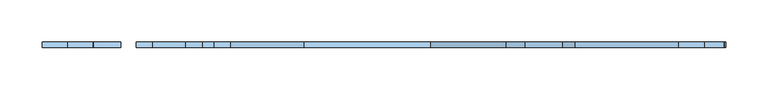
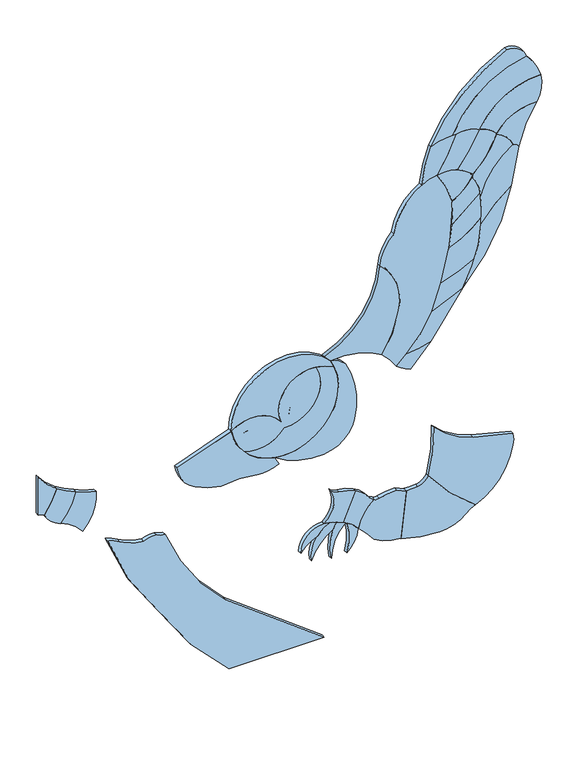
"""IFC4 building model written with IfcOpenShell, lengths in millimetres: window geometry."""

import ifcopenshell
import ifcopenshell.guid

model = None  # the IFC model being written
_history = None  # IfcOwnerHistory: only IFC2X3 demands one
_inside = {}  # id of a spatial element -> (the spatial element, [elements in it])
_under = {}  # id of a project, library or spatial element -> (it, [spatial elements below it])
_declared = {}  # id of a project -> (the project, [libraries it declares])
_typed = {}  # id of a type object -> (the type object, [elements of that type])
_made_of = {}  # id of a material, layer set ... -> (it, [elements and type objects made of it])


def new_model(schema):
    """Start an empty IFC model of exactly this schema.

    Asked for "IFC4X3", IfcOpenShell would pick the latest addendum, in which some entities
    have other attributes; the version numbers below select the first issue.
    IFC2X3 requires an IfcOwnerHistory on every rooted entity: one is made here for all.
    """
    global model, _history
    if schema == "IFC4X3":
        model = ifcopenshell.file(schema_version=(4, 3, 0, 0))
    else:
        model = ifcopenshell.file(schema=schema)
    _inside.clear()
    _under.clear()
    _declared.clear()
    _typed.clear()
    _made_of.clear()
    _history = None
    if model.schema == "IFC2X3":
        org = make("IfcOrganization", Name="unknown")
        user = make(
            "IfcPersonAndOrganization",
            ThePerson=make("IfcPerson", FamilyName="unknown"),
            TheOrganization=org,
        )
        app = make(
            "IfcApplication",
            ApplicationDeveloper=org,
            Version="unknown",
            ApplicationFullName="unknown",
            ApplicationIdentifier="unknown",
        )
        _history = make(
            "IfcOwnerHistory",
            OwningUser=user,
            OwningApplication=app,
            ChangeAction="ADDED",
            CreationDate=0,
        )
    return model


def make(cls, **values):
    """One entity of the class cls with the attributes given. An attribute that is None is left unset."""
    return model.create_entity(
        cls, **{name: value for name, value in values.items() if value is not None}
    )


def rooted(cls, **values):
    """An entity with a GlobalId (a new one), such as an element, a storey or a relation."""
    return make(cls, GlobalId=ifcopenshell.guid.new(), OwnerHistory=_history, **values)


def si_unit(unit_type, name, prefix=None):
    """IfcSIUnit, for example si_unit("LENGTHUNIT", "METRE", prefix="MILLI")."""
    return make("IfcSIUnit", UnitType=unit_type, Prefix=prefix, Name=name)


def assignment(units):
    """IfcUnitAssignment: the units of a project."""
    return None if units is None else make("IfcUnitAssignment", Units=units)


def point(xyz):
    """IfcCartesianPoint."""
    return None if xyz is None else make("IfcCartesianPoint", Coordinates=xyz)


def direction(xyz):
    """IfcDirection."""
    return None if xyz is None else make("IfcDirection", DirectionRatios=xyz)


def frame(location, z_axis=None, x_axis=None):
    """IfcAxis2Placement3D, a coordinate frame: its origin and axes. An axis left out is left unset."""
    return make(
        "IfcAxis2Placement3D",
        Location=point(location),
        Axis=direction(z_axis),
        RefDirection=direction(x_axis),
    )


def frame_2d(location, x_axis=None):
    """IfcAxis2Placement2D, a coordinate frame in the plane: its origin and x axis."""
    return make(
        "IfcAxis2Placement2D", Location=point(location), RefDirection=direction(x_axis)
    )


def origin():
    """The frame at (0, 0, 0) with its axes left unset."""
    return frame((0.0, 0.0, 0.0))


def place(relative_to, where):
    """IfcLocalPlacement: puts the frame where relative to a parent placement (None: the world)."""
    return make(
        "IfcLocalPlacement", PlacementRelTo=relative_to, RelativePlacement=where
    )


def context(
    kind, dimensions, precision=None, world=None, true_north=None, identifier=None
):
    """IfcGeometricRepresentationContext, for example the 3D "Model" context."""
    return make(
        "IfcGeometricRepresentationContext",
        ContextIdentifier=identifier,
        ContextType=kind,
        CoordinateSpaceDimension=dimensions,
        Precision=precision,
        WorldCoordinateSystem=world,
        TrueNorth=true_north,
    )


def project(units=None, contexts=None):
    """IfcProject with its units and contexts."""
    return rooted(
        "IfcProject",
        Name="project",
        RepresentationContexts=contexts,
        UnitsInContext=assignment(units),
    )


def spatial(cls, under=None, at=None, **own):
    """A site, building, storey or space (cls), placed at a placement, below another one or the project."""
    s = rooted(cls, ObjectPlacement=at, **own)
    if under is not None:
        _under.setdefault(under.id(), (under, []))[1].append(s)
    return s


def polyline(points):
    """IfcPolyline through the points."""
    return make("IfcPolyline", Points=[point(p) for p in points])


def circle_curve(where, radius):
    """IfcCircle in the frame where."""
    return make("IfcCircle", Position=where, Radius=radius)


def trimmed(basis, trim1, trim2, sense, master):
    """IfcTrimmedCurve: the piece of a basis curve between two trims."""
    return make(
        "IfcTrimmedCurve",
        BasisCurve=basis,
        Trim1=trim1,
        Trim2=trim2,
        SenseAgreement=sense,
        MasterRepresentation=master,
    )


def segment(curve, same_sense, transition):
    """IfcCompositeCurveSegment."""
    return make(
        "IfcCompositeCurveSegment",
        Transition=transition,
        SameSense=same_sense,
        ParentCurve=curve,
    )


def composite_curve(segments, self_intersect=None):
    """IfcCompositeCurve: segments joined end to end."""
    return make("IfcCompositeCurve", Segments=segments, SelfIntersect=self_intersect)


def outline(outer, holes=None, kind="AREA"):
    """IfcArbitraryClosedProfileDef: a profile drawn as a closed curve; with holes, ...WithVoids."""
    if holes is None:
        return make("IfcArbitraryClosedProfileDef", ProfileType=kind, OuterCurve=outer)
    return make(
        "IfcArbitraryProfileDefWithVoids",
        ProfileType=kind,
        OuterCurve=outer,
        InnerCurves=holes,
    )


def extrude(swept, where, along, depth):
    """IfcExtrudedAreaSolid: the profile swept, set in the frame where, extruded along a direction by depth."""
    return make(
        "IfcExtrudedAreaSolid",
        SweptArea=swept,
        Position=where,
        ExtrudedDirection=direction(along),
        Depth=depth,
    )


def shape(context_of_items, identifier, shape_type, items):
    """IfcShapeRepresentation: the items that make up one representation, for example the "Body"."""
    return make(
        "IfcShapeRepresentation",
        ContextOfItems=context_of_items,
        RepresentationIdentifier=identifier,
        RepresentationType=shape_type,
        Items=items,
    )


def source(mapping_origin, context_of_items, identifier, shape_type, items):
    """IfcRepresentationMap: a shape defined once, which mapped items show again and again."""
    return make(
        "IfcRepresentationMap",
        MappingOrigin=mapping_origin,
        MappedRepresentation=shape(context_of_items, identifier, shape_type, items),
    )


def transform(
    local_origin,
    x_axis=None,
    y_axis=None,
    z_axis=None,
    scale=None,
    scale2=None,
    scale3=None,
    uniform=True,
):
    """IfcCartesianTransformationOperator3D, or its non-uniform kind. x_axis, y_axis, z_axis: its Axis1, 2, 3."""
    if uniform:
        return make(
            "IfcCartesianTransformationOperator3D",
            Axis1=direction(x_axis),
            Axis2=direction(y_axis),
            LocalOrigin=point(local_origin),
            Scale=scale,
            Axis3=direction(z_axis),
        )
    return make(
        "IfcCartesianTransformationOperator3DnonUniform",
        Axis1=direction(x_axis),
        Axis2=direction(y_axis),
        LocalOrigin=point(local_origin),
        Scale=scale,
        Axis3=direction(z_axis),
        Scale2=scale2,
        Scale3=scale3,
    )


def mapped(mapping_source, mapping_target):
    """IfcMappedItem: shows the shape of a source again, moved by a transform."""
    return make(
        "IfcMappedItem", MappingSource=mapping_source, MappingTarget=mapping_target
    )


def made_of(thing, what):
    """Note that an element or type object is made of a material, layer set ...; save() writes the relation."""
    if what is not None:
        _made_of.setdefault(what.id(), (what, []))[1].append(thing)
    return thing


def element(
    cls,
    number,
    at=None,
    inside=None,
    cuts=None,
    type_object=None,
    material=None,
    context=None,
    identifier="Body",
    shape_type=None,
    held_by="IfcProductDefinitionShape",
    body=None,
    shapes=None,
    **own,
):
    """One element of the class cls, such as IfcWall. Its Tag is "e" and its number.

    at: its placement. inside: the storey or other place that contains it. cuts: it is an
    opening in that element (IfcRelVoidsElement). A single representation is given by context,
    identifier, shape_type and body (its items); several are given by shapes. held_by: the class
    of the entity that holds the representations. save() writes the other relations.
    """
    e = rooted(cls, Tag="e%d" % number, ObjectPlacement=at, **own)
    if body is not None:
        shapes = [shape(context, identifier, shape_type, body)]
    if shapes is not None:
        e.Representation = make(held_by, Representations=shapes)
    if inside is not None:
        _inside.setdefault(inside.id(), (inside, []))[1].append(e)
    if cuts is not None:
        rooted(
            "IfcRelVoidsElement", RelatingBuildingElement=cuts, RelatedOpeningElement=e
        )
    if type_object is not None:
        _typed.setdefault(type_object.id(), (type_object, []))[1].append(e)
    return made_of(e, material)


def aggregate(whole, parts):
    """IfcRelAggregates: a whole, such as a stair, and the parts it consists of."""
    return rooted("IfcRelAggregates", RelatingObject=whole, RelatedObjects=parts)


def save(model, path):
    """Write the relations noted so far, then the file.

    IfcRelAggregates (storeys below a building ...), IfcRelContainedInSpatialStructure (elements
    in a storey), IfcRelDefinesByType, IfcRelAssociatesMaterial and IfcRelDeclares: one each for
    every whole, place, type object, material and project.
    """
    for whole, parts in _under.values():
        aggregate(whole, parts)
    for where, things in _inside.values():
        rooted(
            "IfcRelContainedInSpatialStructure",
            RelatedElements=things,
            RelatingStructure=where,
        )
    for kind, things in _typed.values():
        rooted("IfcRelDefinesByType", RelatedObjects=things, RelatingType=kind)
    for what, things in _made_of.values():
        rooted("IfcRelAssociatesMaterial", RelatedObjects=things, RelatingMaterial=what)
    for by, libraries in _declared.values():
        rooted("IfcRelDeclares", RelatingContext=by, RelatedDefinitions=libraries)
    model.write(path)


def window_683c4f7e(model_context):
    return source(origin(), model_context, "Body", "SweptSolid", [
        extrude(outline(composite_curve([segment(trimmed(circle_curve(frame_2d((1306.5243609, 92.7564958)), 370.6374819), [point((1032.8672873, -157.2114002))], [point((1177.2719077, -254.6135465))], True, "CARTESIAN"), True, "CONTINUOUS"), segment(trimmed(circle_curve(frame_2d((1224.4284006, -248.2048976)), 47.5899738), [point((1177.2719077, -254.6135465))], [point((1181.2343983, -268.1819788))], True, "CARTESIAN"), True, "CONTINUOUS"), segment(trimmed(circle_curve(frame_2d((1142.0381253, -272.0826135)), 39.3898816), [point((1181.2343983, -268.1819788))], [point((1177.8895176, -288.3994893))], False, "CARTESIAN"), True, "CONTINUOUS"), segment(trimmed(circle_curve(frame_2d((1271.3971823, -279.28841)), 93.9504929), [point((1177.8895176, -288.3994893))], [point((1190.4427096, -326.9651178))], True, "CARTESIAN"), True, "CONTINUOUS"), segment(trimmed(circle_curve(frame_2d((1111.4381271, -373.4934721)), 91.6875772), [point((1190.4427096, -326.9651178))], [point((1199.0266988, -346.3852831))], False, "CARTESIAN"), True, "CONTINUOUS"), segment(trimmed(circle_curve(frame_2d((1344.988536, 93.7588279)), 463.7151025), [point((1199.0266988, -346.3852831))], [point((1049.07315, -263.2646737))], False, "CARTESIAN"), True, "CONTINUOUS"), segment(trimmed(circle_curve(frame_2d((1299.4880514, 175.91544)), 505.5559268), [point((1049.07315, -263.2646737))], [point((914.4, -151.6421698))], False, "CARTESIAN"), True, "CONTINUOUS"), segment(polyline([(914.4, -151.6421698), (914.4, 0.0)]), True, "CONTINUOUS"), segment(trimmed(circle_curve(frame_2d((1803.7008455, 546.8948017)), 1044.0066657), [point((914.4, 0.0))], [point((1032.8672873, -157.2114002))], True, "CARTESIAN"), True, "CONTINUOUS")], self_intersect=False)), frame((0.0, -3.175, 0.0), z_axis=(0.0, 1.0, 0.0), x_axis=(0.0, 0.0, 1.0)), (0.0, 0.0, 1.0), 6.35),
        extrude(outline(composite_curve([segment(trimmed(circle_curve(frame_2d((1587.0229883, 505.3102134)), 199.789841), [point((1635.7083448, 311.5430422))], [point((1700.1515107, 340.635024))], True, "CARTESIAN"), True, "CONTINUOUS"), segment(trimmed(circle_curve(frame_2d((1628.9192256, 335.1902723)), 71.4400712), [point((1700.1515107, 340.635024))], [point((1668.2546459, 275.5546414))], False, "CARTESIAN"), True, "CONTINUOUS"), segment(trimmed(circle_curve(frame_2d((1622.9750483, 257.4004739)), 48.7833554), [point((1668.2546459, 275.5546414))], [point((1641.1292158, 302.6800716))], True, "CARTESIAN"), True, "CONTINUOUS"), segment(trimmed(circle_curve(frame_2d((1631.1734272, 302.6800716)), 9.9557886), [point((1641.1292158, 302.6800716))], [point((1635.7083448, 311.5430422))], True, "CARTESIAN"), True, "CONTINUOUS")], self_intersect=False)), frame((0.0, -3.175, 0.0), z_axis=(0.0, 1.0, 0.0), x_axis=(0.0, 0.0, 1.0)), (0.0, 0.0, 1.0), 6.35),
        extrude(outline(composite_curve([segment(trimmed(circle_curve(frame_2d((1729.7782362, 289.5231341)), 59.0776452), [point((1700.1515107, 340.635024))], [point((1744.1689263, 346.8212684))], False, "CARTESIAN"), True, "CONTINUOUS"), segment(trimmed(circle_curve(frame_2d((1636.4540007, 344.8698266)), 107.7326011), [point((1744.1689263, 346.8212684))], [point((1686.6336514, 249.537167))], False, "CARTESIAN"), True, "CONTINUOUS"), segment(trimmed(circle_curve(frame_2d((1633.172715, 234.1439551)), 55.6329282), [point((1686.6336514, 249.537167))], [point((1669.4250744, 276.3433525))], True, "CARTESIAN"), True, "CONTINUOUS"), segment(trimmed(circle_curve(frame_2d((1628.9192256, 335.1902723)), 71.4400712), [point((1669.4250744, 276.3433525))], [point((1700.1515107, 340.635024))], True, "CARTESIAN"), True, "CONTINUOUS")], self_intersect=False)), frame((0.0, -3.175, 0.0), z_axis=(0.0, 1.0, 0.0), x_axis=(0.0, 0.0, 1.0)), (0.0, 0.0, 1.0), 6.35),
        extrude(outline(composite_curve([segment(trimmed(circle_curve(frame_2d((1722.3654753, 265.7388647)), 83.9627695), [point((1744.1689263, 346.8212684))], [point((1782.9789088, 323.8401412))], False, "CARTESIAN"), True, "CONTINUOUS"), segment(trimmed(circle_curve(frame_2d((1631.6718854, 347.1381033)), 153.0902034), [point((1782.9789088, 323.8401412))], [point((1690.8822803, 205.9618322))], False, "CARTESIAN"), True, "CONTINUOUS"), segment(trimmed(circle_curve(frame_2d((1737.8102941, 208.5941562)), 47.001783), [point((1690.8822803, 205.9618322))], [point((1690.8822803, 211.2264802))], False, "CARTESIAN"), True, "CONTINUOUS"), segment(trimmed(circle_curve(frame_2d((1646.3511974, 223.8433111)), 46.2839257), [point((1690.8822803, 211.2264802))], [point((1685.3000744, 248.8470459))], True, "CARTESIAN"), True, "CONTINUOUS"), segment(trimmed(circle_curve(frame_2d((1636.4540007, 344.8698266)), 107.7326011), [point((1685.3000744, 248.8470459))], [point((1744.1689263, 346.8212684))], True, "CARTESIAN"), True, "CONTINUOUS")], self_intersect=False)), frame((0.0, -3.175, 0.0), z_axis=(0.0, 1.0, 0.0), x_axis=(0.0, 0.0, 1.0)), (0.0, 0.0, 1.0), 6.35),
        extrude(outline(composite_curve([segment(trimmed(circle_curve(frame_2d((1581.9966838, 394.232478)), 244.9053426), [point((1804.8321711, 292.6304484))], [point((1683.5987134, 171.3969907))], False, "CARTESIAN"), True, "CONTINUOUS"), segment(trimmed(circle_curve(frame_2d((1613.0044019, 204.3225778)), 77.8951289), [point((1683.5987134, 171.3969907))], [point((1690.8822803, 205.9618322))], True, "CARTESIAN"), True, "CONTINUOUS"), segment(trimmed(circle_curve(frame_2d((1631.6718854, 347.1381033)), 153.0902034), [point((1690.8822803, 205.9618322))], [point((1782.9789088, 323.8401412))], True, "CARTESIAN"), True, "CONTINUOUS"), segment(trimmed(circle_curve(frame_2d((1775.7558689, 295.5267583)), 29.2201978), [point((1782.9789088, 323.8401412))], [point((1804.8321711, 292.6304484))], False, "CARTESIAN"), True, "CONTINUOUS")], self_intersect=False)), frame((0.0, -3.175, 0.0), z_axis=(0.0, 1.0, 0.0), x_axis=(0.0, 0.0, 1.0)), (0.0, 0.0, 1.0), 6.35),
        extrude(outline(composite_curve([segment(trimmed(circle_curve(frame_2d((1607.2908843, 349.9423418)), 194.168296), [point((1683.5987134, 171.3969907))], [point((1623.7370352, 156.471798))], False, "CARTESIAN"), True, "CONTINUOUS"), segment(trimmed(circle_curve(frame_2d((1593.013241, 180.4558103)), 38.9767158), [point((1623.7370352, 156.471798))], [point((1631.989637, 180.6136962))], True, "CARTESIAN"), True, "CONTINUOUS"), segment(trimmed(circle_curve(frame_2d((1800.8293227, -72.2438158)), 304.0456558), [point((1631.989637, 180.6136962))], [point((1690.6025695, 211.1178325))], False, "CARTESIAN"), True, "CONTINUOUS"), segment(trimmed(circle_curve(frame_2d((1613.0044019, 204.3225778)), 77.8951289), [point((1690.6025695, 211.1178325))], [point((1683.5987134, 171.3969907))], False, "CARTESIAN"), True, "CONTINUOUS")], self_intersect=False)), frame((0.0, -3.175, 0.0), z_axis=(0.0, 1.0, 0.0), x_axis=(0.0, 0.0, 1.0)), (0.0, 0.0, 1.0), 6.35),
        extrude(outline(composite_curve([segment(trimmed(circle_curve(frame_2d((1800.8293227, -72.2438158)), 304.0456558), [point((1690.6025695, 211.1178325))], [point((1631.989637, 180.6136962))], True, "CARTESIAN"), True, "CONTINUOUS"), segment(trimmed(circle_curve(frame_2d((1580.5855946, 194.5939847)), 53.2712309), [point((1631.989637, 180.6136962))], [point((1630.4836851, 213.2488664))], True, "CARTESIAN"), True, "CONTINUOUS"), segment(trimmed(circle_curve(frame_2d((1792.9378689, 23.095369)), 250.0994091), [point((1630.4836851, 213.2488664))], [point((1685.3000744, 248.8470459))], False, "CARTESIAN"), True, "CONTINUOUS"), segment(trimmed(circle_curve(frame_2d((1647.708461, 224.3266739)), 44.881823), [point((1685.3000744, 248.8470459))], [point((1690.6025695, 211.1178325))], False, "CARTESIAN"), True, "CONTINUOUS")], self_intersect=False)), frame((0.0, -3.175, 0.0), z_axis=(0.0, 1.0, 0.0), x_axis=(0.0, 0.0, 1.0)), (0.0, 0.0, 1.0), 6.35),
        extrude(outline(composite_curve([segment(trimmed(circle_curve(frame_2d((1792.9378689, 23.095369)), 250.0994091), [point((1685.3000744, 248.8470459))], [point((1630.4836851, 213.2488664))], True, "CARTESIAN"), True, "CONTINUOUS"), segment(trimmed(circle_curve(frame_2d((1517.090091, 157.4413554)), 126.3826945), [point((1630.4836851, 213.2488664))], [point((1614.194119, 238.3325985))], True, "CARTESIAN"), True, "CONTINUOUS"), segment(trimmed(circle_curve(frame_2d((1711.7180757, 155.7585096)), 127.7865497), [point((1614.194119, 238.3325985))], [point((1669.4250744, 276.3433525))], False, "CARTESIAN"), True, "CONTINUOUS"), segment(trimmed(circle_curve(frame_2d((1645.0239895, 243.9245085)), 40.5757857), [point((1669.4250744, 276.3433525))], [point((1685.3000744, 248.8470459))], False, "CARTESIAN"), True, "CONTINUOUS")], self_intersect=False)), frame((0.0, -3.175, 0.0), z_axis=(0.0, 1.0, 0.0), x_axis=(0.0, 0.0, 1.0)), (0.0, 0.0, 1.0), 6.35),
        extrude(outline(composite_curve([segment(trimmed(circle_curve(frame_2d((1740.7275228, 104.3850226)), 186.15506), [point((1669.4250744, 276.3433525))], [point((1609.9171142, 236.8325343))], True, "CARTESIAN"), True, "CONTINUOUS"), segment(trimmed(circle_curve(frame_2d((1570.7653737, 186.28865)), 63.9338958), [point((1609.9171142, 236.8325343))], [point((1572.7471803, 250.1918226))], True, "CARTESIAN"), True, "CONTINUOUS"), segment(trimmed(circle_curve(frame_2d((1537.2063691, 370.7806942)), 125.7172431), [point((1572.7471803, 250.1918226))], [point((1643.3274571, 303.3778761))], True, "CARTESIAN"), True, "CONTINUOUS"), segment(trimmed(circle_curve(frame_2d((1599.3168061, 234.7786027)), 81.50336), [point((1643.3274571, 303.3778761))], [point((1669.4250744, 276.3433525))], False, "CARTESIAN"), True, "CONTINUOUS")], self_intersect=False)), frame((0.0, -3.175, 0.0), z_axis=(0.0, 1.0, 0.0), x_axis=(0.0, 0.0, 1.0)), (0.0, 0.0, 1.0), 6.35),
        extrude(outline(composite_curve([segment(trimmed(circle_curve(frame_2d((1631.1734272, 302.6800716)), 9.9557886), [point((1635.7083448, 311.5430422))], [point((1639.0941054, 296.6484397))], False, "CARTESIAN"), True, "CONTINUOUS"), segment(trimmed(circle_curve(frame_2d((1533.1830456, 377.3001857)), 133.1234641), [point((1639.0941054, 296.6484397))], [point((1572.7471803, 250.1918226))], False, "CARTESIAN"), True, "CONTINUOUS"), segment(trimmed(circle_curve(frame_2d((1544.215608, 29.0842795)), 222.9407909), [point((1572.7471803, 250.1918226))], [point((1525.1126969, 251.2051363))], True, "CARTESIAN"), True, "CONTINUOUS"), segment(trimmed(circle_curve(frame_2d((1423.8655242, 400.708001)), 180.5605065), [point((1525.1126969, 251.2051363))], [point((1573.3683889, 299.4608283))], True, "CARTESIAN"), True, "CONTINUOUS"), segment(trimmed(circle_curve(frame_2d((1416.2782704, 1276.8575326)), 989.9402118), [point((1573.3683889, 299.4608283))], [point((1635.7083448, 311.5430422))], True, "CARTESIAN"), True, "CONTINUOUS")], self_intersect=False)), frame((0.0, -3.175, 0.0), z_axis=(0.0, 1.0, 0.0), x_axis=(0.0, 0.0, 1.0)), (0.0, 0.0, 1.0), 6.35),
        extrude(outline(composite_curve([segment(trimmed(circle_curve(frame_2d((1423.8655242, 400.708001)), 180.5605065), [point((1573.3683889, 299.4608283))], [point((1525.1126969, 251.2051363))], False, "CARTESIAN"), True, "CONTINUOUS"), segment(trimmed(circle_curve(frame_2d((1536.4434184, 36.2663236)), 215.2372609), [point((1525.1126969, 251.2051363))], [point((1427.5937413, 221.9510733))], True, "CARTESIAN"), True, "CONTINUOUS"), segment(trimmed(circle_curve(frame_2d((1626.9945769, 22.7686409)), 281.8409739), [point((1427.5937413, 221.9510733))], [point((1573.3683889, 299.4608283))], False, "CARTESIAN"), True, "CONTINUOUS")], self_intersect=False)), frame((0.0, -3.175, 0.0), z_axis=(0.0, 1.0, 0.0), x_axis=(0.0, 0.0, 1.0)), (0.0, 0.0, 1.0), 6.35),
        extrude(outline(composite_curve([segment(trimmed(circle_curve(frame_2d((1549.3071378, 70.9022333)), 137.3790405), [point((1631.989637, 180.6136962))], [point((1580.4201087, 204.7117389))], True, "CARTESIAN"), True, "CONTINUOUS"), segment(trimmed(circle_curve(frame_2d((1640.465724, 177.005881)), 66.1293466), [point((1580.4201087, 204.7117389))], [point((1612.7598662, 237.0514963))], False, "CARTESIAN"), True, "CONTINUOUS"), segment(trimmed(circle_curve(frame_2d((1580.5855946, 194.5939847)), 53.2712309), [point((1612.7598662, 237.0514963))], [point((1631.989637, 180.6136962))], False, "CARTESIAN"), True, "CONTINUOUS")], self_intersect=False)), frame((0.0, -3.175, 0.0), z_axis=(0.0, 1.0, 0.0), x_axis=(0.0, 0.0, 1.0)), (0.0, 0.0, 1.0), 6.35),
        extrude(outline(composite_curve([segment(trimmed(circle_curve(frame_2d((1669.2335291, 147.4950055)), 107.2363331), [point((1611.5842292, 237.917289))], [point((1578.3345744, 204.3897432))], True, "CARTESIAN"), True, "CONTINUOUS"), segment(trimmed(circle_curve(frame_2d((1559.4113269, 26.1821112)), 179.2095126), [point((1578.3345744, 204.3897432))], [point((1540.4880793, 204.3897432))], True, "CARTESIAN"), True, "CONTINUOUS"), segment(trimmed(circle_curve(frame_2d((1982.8098287, -134.1065852)), 556.9814129), [point((1540.4880793, 204.3897432))], [point((1578.545003, 249.0360058))], False, "CARTESIAN"), True, "CONTINUOUS"), segment(trimmed(circle_curve(frame_2d((1574.83763, 183.3722322)), 65.7683493), [point((1578.545003, 249.0360058))], [point((1611.5842292, 237.917289))], False, "CARTESIAN"), True, "CONTINUOUS")], self_intersect=False)), frame((0.0, -3.175, 0.0), z_axis=(0.0, 1.0, 0.0), x_axis=(0.0, 0.0, 1.0)), (0.0, 0.0, 1.0), 6.35),
        extrude(outline(composite_curve([segment(trimmed(circle_curve(frame_2d((1762.6810899, 39.2148638)), 276.8618333), [point((1581.7489885, 248.7764286))], [point((1540.4880793, 204.3897432))], True, "CARTESIAN"), True, "CONTINUOUS"), segment(trimmed(circle_curve(frame_2d((1567.1699737, -177.1791232)), 382.5006186), [point((1540.4880793, 204.3897432))], [point((1502.6135837, 199.8343988))], True, "CARTESIAN"), True, "CONTINUOUS"), segment(trimmed(circle_curve(frame_2d((1636.9685127, 147.6622254)), 144.1290485), [point((1502.6135837, 199.8343988))], [point((1537.4072665, 251.8771038))], False, "CARTESIAN"), True, "CONTINUOUS"), segment(trimmed(circle_curve(frame_2d((1545.3197078, 46.4218647)), 205.6075437), [point((1537.4072665, 251.8771038))], [point((1581.7489885, 248.7764286))], False, "CARTESIAN"), True, "CONTINUOUS")], self_intersect=False)), frame((0.0, -3.175, 0.0), z_axis=(0.0, 1.0, 0.0), x_axis=(0.0, 0.0, 1.0)), (0.0, 0.0, 1.0), 6.35),
        extrude(outline(composite_curve([segment(trimmed(circle_curve(frame_2d((1636.9685127, 147.6622254)), 144.1290485), [point((1537.4072665, 251.8771038))], [point((1502.6135837, 199.8343988))], True, "CARTESIAN"), True, "CONTINUOUS"), segment(trimmed(circle_curve(frame_2d((1588.6209788, -302.4543902)), 509.5991558), [point((1502.6135837, 199.8343988))], [point((1448.1564149, 187.4037585))], True, "CARTESIAN"), True, "CONTINUOUS"), segment(trimmed(circle_curve(frame_2d((1622.2820873, 144.7725961)), 179.2684182), [point((1448.1564149, 187.4037585))], [point((1471.287408, 241.404747))], False, "CARTESIAN"), True, "CONTINUOUS"), segment(trimmed(circle_curve(frame_2d((1545.8494359, -15.3930127)), 267.4034133), [point((1471.287408, 241.404747))], [point((1537.4072665, 251.8771038))], False, "CARTESIAN"), True, "CONTINUOUS")], self_intersect=False)), frame((0.0, -3.175, 0.0), z_axis=(0.0, 1.0, 0.0), x_axis=(0.0, 0.0, 1.0)), (0.0, 0.0, 1.0), 6.35),
        extrude(outline(composite_curve([segment(trimmed(circle_curve(frame_2d((1622.2820873, 144.7725961)), 179.2684182), [point((1471.287408, 241.404747))], [point((1448.1564149, 187.4037585))], True, "CARTESIAN"), True, "CONTINUOUS"), segment(trimmed(circle_curve(frame_2d((1588.6209788, -302.4543902)), 509.5991558), [point((1448.1564149, 187.4037585))], [point((1404.6671278, 172.784792))], True, "CARTESIAN"), True, "CONTINUOUS"), segment(trimmed(circle_curve(frame_2d((1695.5823065, 67.0573847)), 309.5317848), [point((1404.6671278, 172.784792))], [point((1427.5937413, 221.9510733))], False, "CARTESIAN"), True, "CONTINUOUS"), segment(trimmed(circle_curve(frame_2d((1532.6069881, 44.8830872)), 205.8661062), [point((1427.5937413, 221.9510733))], [point((1471.287408, 241.404747))], False, "CARTESIAN"), True, "CONTINUOUS")], self_intersect=False)), frame((0.0, -3.175, 0.0), z_axis=(0.0, 1.0, 0.0), x_axis=(0.0, 0.0, 1.0)), (0.0, 0.0, 1.0), 6.35),
        extrude(outline(composite_curve([segment(trimmed(circle_curve(frame_2d((1695.5823065, 67.0573847)), 309.5317848), [point((1427.5937413, 221.9510733))], [point((1404.6671278, 172.784792))], True, "CARTESIAN"), True, "CONTINUOUS"), segment(trimmed(circle_curve(frame_2d((1490.8914637, -10.1526799)), 202.2393501), [point((1404.6671278, 172.784792))], [point((1347.2367838, 132.1993053))], True, "CARTESIAN"), True, "CONTINUOUS"), segment(trimmed(circle_curve(frame_2d((1517.1555065, 119.2831266)), 170.4089199), [point((1347.2367838, 132.1993053))], [point((1354.7711246, 170.9601281))], False, "CARTESIAN"), True, "CONTINUOUS"), segment(trimmed(circle_curve(frame_2d((1724.8987654, -280.1407143)), 583.5121597), [point((1354.7711246, 170.9601281))], [point((1427.5937413, 221.9510733))], False, "CARTESIAN"), True, "CONTINUOUS")], self_intersect=False)), frame((0.0, -3.175, 0.0), z_axis=(0.0, 1.0, 0.0), x_axis=(0.0, 0.0, 1.0)), (0.0, 0.0, 1.0), 6.35),
        extrude(outline(composite_curve([segment(trimmed(circle_curve(frame_2d((1517.1555065, 119.2831266)), 170.4089199), [point((1354.7711246, 170.9601281))], [point((1347.2367838, 132.1993053))], True, "CARTESIAN"), True, "CONTINUOUS"), segment(trimmed(circle_curve(frame_2d((1521.7154943, -45.6774432)), 249.16452), [point((1347.2367838, 132.1993053))], [point((1332.1499121, 116.0255194))], True, "CARTESIAN"), True, "CONTINUOUS"), segment(trimmed(circle_curve(frame_2d((1375.9161461, 155.9586632)), 59.2464278), [point((1332.1499121, 116.0255194))], [point((1319.4499121, 138.0225646))], False, "CARTESIAN"), True, "CONTINUOUS"), segment(trimmed(circle_curve(frame_2d((1508.5787559, -29.3858263)), 252.5772929), [point((1319.4499121, 138.0225646))], [point((1354.7711246, 170.9601281))], False, "CARTESIAN"), True, "CONTINUOUS")], self_intersect=False)), frame((0.0, -3.175, 0.0), z_axis=(0.0, 1.0, 0.0), x_axis=(0.0, 0.0, 1.0)), (0.0, 0.0, 1.0), 6.35),
        extrude(outline(composite_curve([segment(polyline([(1344.5787923, -457.2), (1281.0787923, -457.2)]), True, "CONTINUOUS"), segment(trimmed(circle_curve(frame_2d((1243.4546081, -465.9476844)), 38.627726), [point((1281.0787923, -457.2))], [point((1277.6318643, -447.9472296))], True, "CARTESIAN"), True, "CONTINUOUS"), segment(trimmed(circle_curve(frame_2d((1376.293908, -589.4476397)), 172.5009128), [point((1277.6318643, -447.9472296))], [point((1315.4224835, -428.0436912))], False, "CARTESIAN"), True, "CONTINUOUS"), segment(trimmed(circle_curve(frame_2d((1409.0813346, -363.5411489)), 113.7214068), [point((1315.4224835, -428.0436912))], [point((1344.5787923, -457.2))], True, "CARTESIAN"), True, "CONTINUOUS")], self_intersect=False)), frame((0.0, -3.175, 0.0), z_axis=(0.0, 1.0, 0.0), x_axis=(0.0, 0.0, 1.0)), (0.0, 0.0, 1.0), 6.35),
        extrude(outline(composite_curve([segment(trimmed(circle_curve(frame_2d((1370.4592642, -577.0425901)), 158.8386575), [point((1315.4224835, -428.0436912))], [point((1277.709756, -448.0959041))], True, "CARTESIAN"), True, "CONTINUOUS"), segment(trimmed(circle_curve(frame_2d((1301.7129506, -402.1619666)), 51.8274055), [point((1277.709756, -448.0959041))], [point((1253.9705646, -422.3298752))], False, "CARTESIAN"), True, "CONTINUOUS"), segment(trimmed(circle_curve(frame_2d((1320.174153, -490.8039721)), 95.245037), [point((1253.9705646, -422.3298752))], [point((1299.9282282, -397.7356123))], False, "CARTESIAN"), True, "CONTINUOUS"), segment(trimmed(circle_curve(frame_2d((1429.0918269, -350.8184857)), 137.4207117), [point((1299.9282282, -397.7356123))], [point((1315.4224835, -428.0436912))], True, "CARTESIAN"), True, "CONTINUOUS")], self_intersect=False)), frame((0.0, -3.175, 0.0), z_axis=(0.0, 1.0, 0.0), x_axis=(0.0, 0.0, 1.0)), (0.0, 0.0, 1.0), 6.35),
        extrude(outline(composite_curve([segment(trimmed(circle_curve(frame_2d((1323.7415923, -495.9534749)), 101.431902), [point((1299.8021596, -397.3870794))], [point((1255.0124687, -421.3563012))], True, "CARTESIAN"), True, "CONTINUOUS"), segment(trimmed(circle_curve(frame_2d((1176.3763354, -452.9716505)), 84.7535944), [point((1255.0124687, -421.3563012))], [point((1228.8853489, -386.4436468))], True, "CARTESIAN"), True, "CONTINUOUS"), segment(trimmed(circle_curve(frame_2d((1281.9382425, -439.3744842)), 74.9418646), [point((1228.8853489, -386.4436468))], [point((1288.5558303, -364.7253677))], False, "CARTESIAN"), True, "CONTINUOUS"), segment(trimmed(circle_curve(frame_2d((1395.5300613, -346.1582528)), 108.5735872), [point((1288.5558303, -364.7253677))], [point((1299.8021596, -397.3870794))], True, "CARTESIAN"), True, "CONTINUOUS")], self_intersect=False)), frame((0.0, -3.175, 0.0), z_axis=(0.0, 1.0, 0.0), x_axis=(0.0, 0.0, 1.0)), (0.0, 0.0, 1.0), 6.35),
        extrude(outline(composite_curve([segment(trimmed(circle_curve(frame_2d((1034.5514069, 11.2908127)), 59.2762735), [point((1069.0976688, -36.8779779))], [point((1089.8648963, -10.0186801))], True, "CARTESIAN"), True, "CONTINUOUS"), segment(trimmed(circle_curve(frame_2d((1058.6856538, 31.2713397)), 51.7398386), [point((1089.8648963, -10.0186801))], [point((1104.7787679, 7.7673883))], True, "CARTESIAN"), True, "CONTINUOUS"), segment(trimmed(circle_curve(frame_2d((1080.173185, 0.0)), 25.8024617), [point((1104.7787679, 7.7673883))], [point((1105.9756467, 0.0))], False, "CARTESIAN"), True, "CONTINUOUS"), segment(trimmed(circle_curve(frame_2d((1069.0976688, 0.0)), 36.8779779), [point((1105.9756467, 0.0))], [point((1069.0976688, -36.8779779))], False, "CARTESIAN"), True, "CONTINUOUS")], self_intersect=False)), frame((0.0, -3.175, 0.0), z_axis=(0.0, 1.0, 0.0), x_axis=(0.0, 0.0, 1.0)), (0.0, 0.0, 1.0), 6.35),
        extrude(outline(composite_curve([segment(trimmed(circle_curve(frame_2d((1027.3273754, 50.0110443)), 73.4516063), [point((1050.2417748, -19.7748336))], [point((1091.7414894, 14.7128804))], True, "CARTESIAN"), True, "CONTINUOUS"), segment(trimmed(circle_curve(frame_2d((1087.6818401, 35.0283942)), 20.7171632), [point((1091.7414894, 14.7128804))], [point((1101.4691156, 19.565151))], True, "CARTESIAN"), True, "CONTINUOUS"), segment(trimmed(circle_curve(frame_2d((1062.9656482, 1.6296207)), 42.4758784), [point((1101.4691156, 19.565151))], [point((1104.946063, 8.0983934))], False, "CARTESIAN"), True, "CONTINUOUS"), segment(trimmed(circle_curve(frame_2d((1058.6856538, 31.2713397)), 51.7398386), [point((1104.946063, 8.0983934))], [point((1050.2417748, -19.7748336))], False, "CARTESIAN"), True, "CONTINUOUS")], self_intersect=False)), frame((0.0, -3.175, 0.0), z_axis=(0.0, 1.0, 0.0), x_axis=(0.0, 0.0, 1.0)), (0.0, 0.0, 1.0), 6.35),
        extrude(outline(composite_curve([segment(trimmed(circle_curve(frame_2d((1042.6205841, 86.3712095)), 74.4985981), [point((1043.4266793, 11.8769727))], [point((1095.6472928, 34.043308))], True, "CARTESIAN"), True, "CONTINUOUS"), segment(trimmed(circle_curve(frame_2d((978.8354594, -25.6059004)), 131.1603313), [point((1095.6472928, 34.043308))], [point((1102.1424903, 19.0976634))], False, "CARTESIAN"), True, "CONTINUOUS"), segment(trimmed(circle_curve(frame_2d((1062.589159, 98.3925028)), 88.6122879), [point((1102.1424903, 19.0976634))], [point((1043.4266793, 11.8769727))], False, "CARTESIAN"), True, "CONTINUOUS")], self_intersect=False)), frame((0.0, -3.175, 0.0), z_axis=(0.0, 1.0, 0.0), x_axis=(0.0, 0.0, 1.0)), (0.0, 0.0, 1.0), 6.35),
        extrude(outline(composite_curve([segment(trimmed(circle_curve(frame_2d((1085.5048333, -0.4131091)), 55.4932204), [point((1044.2177019, 36.6661344))], [point((1078.3057836, 54.6111692))], False, "CARTESIAN"), True, "CONTINUOUS"), segment(trimmed(circle_curve(frame_2d((1057.9410853, 20.3340438)), 39.8703181), [point((1078.3057836, 54.6111692))], [point((1094.3128474, 36.6661344))], False, "CARTESIAN"), True, "CONTINUOUS"), segment(trimmed(circle_curve(frame_2d((1069.2652746, -56.930312)), 96.8900184), [point((1094.3128474, 36.6661344))], [point((1044.2177019, 36.6661344))], True, "CARTESIAN"), True, "CONTINUOUS")], self_intersect=False)), frame((0.0, -3.175, 0.0), z_axis=(0.0, 1.0, 0.0), x_axis=(0.0, 0.0, 1.0)), (0.0, 0.0, 1.0), 6.35),
        extrude(outline(composite_curve([segment(trimmed(circle_curve(frame_2d((1028.7269623, -5.7063142)), 77.4591587), [point((1105.9756467, 0.0))], [point((1097.268556, 30.3765239))], True, "CARTESIAN"), True, "CONTINUOUS"), segment(trimmed(circle_curve(frame_2d((1675.5262952, -1266.9070006)), 1420.3262145), [point((1097.268556, 30.3765239))], [point((1144.0302025, 50.2256652))], False, "CARTESIAN"), True, "CONTINUOUS"), segment(trimmed(circle_curve(frame_2d((1074.7919551, 16.128326)), 77.1787759), [point((1144.0302025, 50.2256652))], [point((1151.5580299, 24.099098))], False, "CARTESIAN"), True, "CONTINUOUS"), segment(trimmed(circle_curve(frame_2d((1174.0186805, 26.4312314)), 22.581401), [point((1151.5580299, 24.099098))], [point((1157.2803336, 11.2738103))], True, "CARTESIAN"), True, "CONTINUOUS"), segment(trimmed(circle_curve(frame_2d((1138.2435684, -24.469169)), 40.4964073), [point((1157.2803336, 11.2738103))], [point((1105.9756467, 0.0))], True, "CARTESIAN"), True, "CONTINUOUS")], self_intersect=False)), frame((0.0, -3.175, 0.0), z_axis=(0.0, 1.0, 0.0), x_axis=(0.0, 0.0, 1.0)), (0.0, 0.0, 1.0), 6.35),
        extrude(outline(composite_curve([segment(trimmed(circle_curve(frame_2d((1037.9776776, 6.3529613)), 63.9729616), [point((1097.268556, 30.3765239))], [point((1079.7750621, 54.7835143))], True, "CARTESIAN"), True, "CONTINUOUS"), segment(trimmed(circle_curve(frame_2d((1061.6364877, 128.0497575)), 75.4781444), [point((1079.7750621, 54.7835143))], [point((1119.8858649, 80.0501707))], True, "CARTESIAN"), True, "CONTINUOUS"), segment(trimmed(circle_curve(frame_2d((1132.5174869, 83.3348273)), 13.0516988), [point((1119.8858649, 80.0501707))], [point((1124.9892977, 72.6730634))], True, "CARTESIAN"), True, "CONTINUOUS"), segment(trimmed(circle_curve(frame_2d((1091.0115129, 24.5521797)), 58.9076337), [point((1124.9892977, 72.6730634))], [point((1144.0302025, 50.2256652))], False, "CARTESIAN"), True, "CONTINUOUS"), segment(trimmed(circle_curve(frame_2d((1675.5262952, -1266.9070006)), 1420.3262145), [point((1144.0302025, 50.2256652))], [point((1097.268556, 30.3765239))], True, "CARTESIAN"), True, "CONTINUOUS")], self_intersect=False)), frame((0.0, -3.175, 0.0), z_axis=(0.0, 1.0, 0.0), x_axis=(0.0, 0.0, 1.0)), (0.0, 0.0, 1.0), 6.35),
        extrude(outline(composite_curve([segment(trimmed(circle_curve(frame_2d((953.3227544, -58.0125978)), 169.4495471), [point((1079.7750621, 54.7835143))], [point((1052.2830923, 79.5373951))], True, "CARTESIAN"), True, "CONTINUOUS"), segment(trimmed(circle_curve(frame_2d((1124.9346843, 125.7111518)), 86.082923), [point((1052.2830923, 79.5373951))], [point((1038.89534, 122.9723824))], False, "CARTESIAN"), True, "CONTINUOUS"), segment(trimmed(circle_curve(frame_2d((-20.4424781, 9943.0127128)), 9877.0131469), [point((1038.89534, 122.9723824))], [point((1115.3196612, 131.5177672))], True, "CARTESIAN"), True, "CONTINUOUS"), segment(trimmed(circle_curve(frame_2d((1208.418567, 165.2047834)), 99.0061681), [point((1115.3196612, 131.5177672))], [point((1121.9628707, 116.959225))], True, "CARTESIAN"), True, "CONTINUOUS"), segment(trimmed(circle_curve(frame_2d((1042.5339136, 112.5608546)), 79.5506435), [point((1121.9628707, 116.959225))], [point((1118.3844116, 88.5815543))], False, "CARTESIAN"), True, "CONTINUOUS"), segment(trimmed(circle_curve(frame_2d((1128.6142654, 85.3474986)), 10.7288874), [point((1118.3844116, 88.5815543))], [point((1119.5363233, 79.6291078))], True, "CARTESIAN"), True, "CONTINUOUS"), segment(trimmed(circle_curve(frame_2d((1061.6364877, 128.0497575)), 75.4781444), [point((1119.5363233, 79.6291078))], [point((1079.7750621, 54.7835143))], False, "CARTESIAN"), True, "CONTINUOUS")], self_intersect=False)), frame((0.0, -3.175, 0.0), z_axis=(0.0, 1.0, 0.0), x_axis=(0.0, 0.0, 1.0)), (0.0, 0.0, 1.0), 6.35),
        extrude(outline(composite_curve([segment(trimmed(circle_curve(frame_2d((1197.1672161, 140.6737385)), 81.3035088), [point((1116.3672428, 149.7083869))], [point((1116.3672428, 131.6390902))], True, "CARTESIAN"), True, "CONTINUOUS"), segment(trimmed(circle_curve(frame_2d((-20.442478, 9943.0127117)), 9877.0131458), [point((1116.3672428, 131.6390902))], [point((1037.8468334, 122.8593313))], False, "CARTESIAN"), True, "CONTINUOUS"), segment(trimmed(circle_curve(frame_2d((1252.3798769, 188.983795)), 224.4924753), [point((1037.8468334, 122.8593313))], [point((1027.9132449, 185.5775409))], False, "CARTESIAN"), True, "CONTINUOUS"), segment(trimmed(circle_curve(frame_2d((1087.5720816, 186.4828566)), 59.6657054), [point((1027.9132449, 185.5775409))], [point((1043.8427002, 227.0751908))], False, "CARTESIAN"), True, "CONTINUOUS"), segment(trimmed(circle_curve(frame_2d((997.695189, 269.9121838)), 62.9650757), [point((1043.8427002, 227.0751908))], [point((1054.0748461, 241.8776511))], True, "CARTESIAN"), True, "CONTINUOUS"), segment(trimmed(circle_curve(frame_2d((1306.9437269, 420.1023045)), 309.3649915), [point((1054.0748461, 241.8776511))], [point((1128.7190736, 167.2334237))], True, "CARTESIAN"), True, "CONTINUOUS"), segment(trimmed(circle_curve(frame_2d((1138.4843879, 147.2353585)), 22.2549764), [point((1128.7190736, 167.2334237))], [point((1116.3672428, 149.7083869))], True, "CARTESIAN"), True, "CONTINUOUS")], self_intersect=False)), frame((0.0, -3.175, 0.0), z_axis=(0.0, 1.0, 0.0), x_axis=(0.0, 0.0, 1.0)), (0.0, 0.0, 1.0), 6.35),
        extrude(outline(composite_curve([segment(trimmed(circle_curve(frame_2d((1131.5509087, 213.5525276)), 82.4915323), [point((1054.0748461, 241.8776511))], [point((1082.9677554, 280.2198367))], False, "CARTESIAN"), True, "CONTINUOUS"), segment(trimmed(circle_curve(frame_2d((1160.1375616, 174.3250363)), 131.0301024), [point((1082.9677554, 280.2198367))], [point((1133.0790678, 302.5308305))], False, "CARTESIAN"), True, "CONTINUOUS"), segment(trimmed(circle_curve(frame_2d((1143.1804408, 254.6695355)), 48.9156549), [point((1133.0790678, 302.5308305))], [point((1153.2818138, 302.5308305))], False, "CARTESIAN"), True, "CONTINUOUS"), segment(trimmed(circle_curve(frame_2d((2565.5369822, 620.6967617)), 1447.6512772), [point((1153.2818138, 302.5308305))], [point((1169.1870562, 238.726731))], True, "CARTESIAN"), True, "CONTINUOUS"), segment(trimmed(circle_curve(frame_2d((1298.1239166, 273.9972714)), 133.6739504), [point((1169.1870562, 238.726731))], [point((1207.655697, 175.5888051))], True, "CARTESIAN"), True, "CONTINUOUS"), segment(trimmed(circle_curve(frame_2d((1195.8672065, -90.0912073)), 265.9414174), [point((1207.655697, 175.5888051))], [point((1128.7190736, 167.2334237))], True, "CARTESIAN"), True, "CONTINUOUS"), segment(trimmed(circle_curve(frame_2d((1306.9437269, 420.1023045)), 309.3649915), [point((1128.7190736, 167.2334237))], [point((1054.0748461, 241.8776511))], False, "CARTESIAN"), True, "CONTINUOUS")], self_intersect=False)), frame((0.0, -3.175, 0.0), z_axis=(0.0, 1.0, 0.0), x_axis=(0.0, 0.0, 1.0)), (0.0, 0.0, 1.0), 6.35),
        extrude(outline(composite_curve([segment(trimmed(circle_curve(frame_2d((1287.9058125, -182.4005588)), 52.9158894), [point((1283.0049399, -235.0890091))], [point((1240.8898312, -206.6820096))], False, "CARTESIAN"), True, "CONTINUOUS"), segment(trimmed(circle_curve(frame_2d((1362.8998983, -143.6697877)), 137.3207798), [point((1240.8898312, -206.6820096))], [point((1227.1540258, -164.4075474))], False, "CARTESIAN"), True, "CONTINUOUS"), segment(trimmed(circle_curve(frame_2d((1073.6694297, -135.9942911)), 156.0923905), [point((1227.1540258, -164.4075474))], [point((1227.1540258, -107.5810347))], True, "CARTESIAN"), True, "CONTINUOUS"), segment(trimmed(circle_curve(frame_2d((1280.1070118, -97.7783131)), 53.8526887), [point((1227.1540258, -107.5810347))], [point((1232.774937, -72.0919983))], False, "CARTESIAN"), True, "CONTINUOUS"), segment(trimmed(circle_curve(frame_2d((1205.2702111, -138.1828152)), 71.5856553), [point((1232.774937, -72.0919983))], [point((1245.6936063, -79.1027412))], False, "CARTESIAN"), True, "CONTINUOUS"), segment(trimmed(circle_curve(frame_2d((1331.1670245, -63.6668718)), 86.8560376), [point((1245.6936063, -79.1027412))], [point((1273.396571, -128.5247624))], True, "CARTESIAN"), True, "CONTINUOUS"), segment(trimmed(circle_curve(frame_2d((1327.736979, -67.5177246)), 81.6990735), [point((1273.396571, -128.5247624))], [point((1314.7185605, -148.1729128))], True, "CARTESIAN"), True, "CONTINUOUS"), segment(trimmed(circle_curve(frame_2d((1759.9099202, -359.8564955)), 492.9556632), [point((1314.7185605, -148.1729128))], [point((1283.0049399, -235.0890091))], True, "CARTESIAN"), True, "CONTINUOUS")], self_intersect=False)), frame((0.0, -3.175, 0.0), z_axis=(0.0, 1.0, 0.0), x_axis=(0.0, 0.0, 1.0)), (0.0, 0.0, 1.0), 6.35),
        extrude(outline(composite_curve([segment(trimmed(circle_curve(frame_2d((1296.2339474, -76.9674852)), 129.5006156), [point((1266.5973676, 49.0963185))], [point((1325.8705272, 49.0963185))], False, "CARTESIAN"), True, "CONTINUOUS"), segment(trimmed(circle_curve(frame_2d((1290.9700481, -99.3583)), 152.5018596), [point((1325.8705272, 49.0963185))], [point((1364.3694665, 34.3179603))], False, "CARTESIAN"), True, "CONTINUOUS"), segment(trimmed(circle_curve(frame_2d((1335.0454518, 0.7924529)), 44.5405151), [point((1364.3694665, 34.3179603))], [point((1378.6068162, 10.0803491))], False, "CARTESIAN"), True, "CONTINUOUS"), segment(trimmed(circle_curve(frame_2d((1263.1071246, -223.5393186)), 260.6114501), [point((1378.6068162, 10.0803491))], [point((1365.6951245, 16.0311933))], True, "CARTESIAN"), True, "CONTINUOUS"), segment(trimmed(circle_curve(frame_2d((1331.2347295, -64.4430772)), 87.5421443), [point((1365.6951245, 16.0311933))], [point((1244.6553688, -77.3907154))], True, "CARTESIAN"), True, "CONTINUOUS"), segment(trimmed(circle_curve(frame_2d((1339.2907843, -10.5596729)), 115.854435), [point((1244.6553688, -77.3907154))], [point((1223.9185891, 0.0))], False, "CARTESIAN"), True, "CONTINUOUS"), segment(trimmed(circle_curve(frame_2d((1279.3318564, -5.071811)), 55.6448871), [point((1223.9185891, 0.0))], [point((1266.5973676, 49.0963185))], False, "CARTESIAN"), True, "CONTINUOUS")], self_intersect=False)), frame((0.0, -3.175, 0.0), z_axis=(0.0, 1.0, 0.0), x_axis=(0.0, 0.0, 1.0)), (0.0, 0.0, 1.0), 6.35),
        extrude(outline(composite_curve([segment(trimmed(circle_curve(frame_2d((1502.2328837, 165.5234868)), 76.4509458), [point((1556.6723904, 111.8477267))], [point((1511.0136529, 89.5784724))], False, "CARTESIAN"), True, "CONTINUOUS"), segment(trimmed(circle_curve(frame_2d((1442.4453988, 31.0356304)), 90.1602452), [point((1511.0136529, 89.5784724))], [point((1424.1718988, 119.3246389))], True, "CARTESIAN"), True, "CONTINUOUS"), segment(trimmed(circle_curve(frame_2d((1463.9231137, -72.7346461)), 196.1298754), [point((1424.1718988, 119.3246389))], [point((1359.1021548, 93.0347558))], True, "CARTESIAN"), True, "CONTINUOUS"), segment(trimmed(circle_curve(frame_2d((1272.8920143, 19.2635076)), 113.4653488), [point((1359.1021548, 93.0347558))], [point((1332.1499121, 116.0255194))], True, "CARTESIAN"), True, "CONTINUOUS"), segment(trimmed(circle_curve(frame_2d((1521.7154943, -45.6774432)), 249.16452), [point((1332.1499121, 116.0255194))], [point((1395.3868809, 169.0876366))], False, "CARTESIAN"), True, "CONTINUOUS"), segment(trimmed(circle_curve(frame_2d((1588.6209788, -302.4543902)), 509.5991558), [point((1395.3868809, 169.0876366))], [point((1502.6135837, 199.8343988))], False, "CARTESIAN"), True, "CONTINUOUS"), segment(trimmed(circle_curve(frame_2d((1567.1699737, -177.1791232)), 382.5006186), [point((1502.6135837, 199.8343988))], [point((1578.6279643, 205.1498421))], False, "CARTESIAN"), True, "CONTINUOUS"), segment(trimmed(circle_curve(frame_2d((1539.0638832, 39.4208392)), 170.3860878), [point((1578.6279643, 205.1498421))], [point((1625.7289041, 186.1198272))], False, "CARTESIAN"), True, "CONTINUOUS"), segment(trimmed(circle_curve(frame_2d((1623.906656, 177.7354033)), 8.5801604), [point((1625.7289041, 186.1198272))], [point((1632.0789041, 175.1213045))], False, "CARTESIAN"), True, "CONTINUOUS"), segment(trimmed(circle_curve(frame_2d((1544.2572845, 203.2132545)), 92.2051762), [point((1632.0789041, 175.1213045))], [point((1556.6723904, 111.8477267))], False, "CARTESIAN"), True, "CONTINUOUS")], self_intersect=False)), frame((0.0, -3.175, 0.0), z_axis=(0.0, 1.0, 0.0), x_axis=(0.0, 0.0, 1.0)), (0.0, 0.0, 1.0), 6.35),
        extrude(outline(composite_curve([segment(trimmed(circle_curve(frame_2d((1517.638598, -49.1791655)), 138.915701), [point((1511.0136529, 89.5784724))], [point((1387.9867564, 0.7004089))], True, "CARTESIAN"), True, "CONTINUOUS"), segment(trimmed(circle_curve(frame_2d((1642.7761685, 264.8697612)), 367.0191973), [point((1387.9867564, 0.7004089))], [point((1378.6068162, 10.0803491))], False, "CARTESIAN"), True, "CONTINUOUS"), segment(trimmed(circle_curve(frame_2d((1250.3943743, 23.7046094)), 128.9342884), [point((1378.6068162, 10.0803491))], [point((1358.8992009, 93.3519592))], True, "CARTESIAN"), True, "CONTINUOUS"), segment(trimmed(circle_curve(frame_2d((1465.683075, -80.004006)), 203.605222), [point((1358.8992009, 93.3519592))], [point((1427.4749789, 119.9840632))], False, "CARTESIAN"), True, "CONTINUOUS"), segment(trimmed(circle_curve(frame_2d((1443.7576996, 34.7573651)), 86.76818), [point((1427.4749789, 119.9840632))], [point((1511.0136529, 89.5784724))], False, "CARTESIAN"), True, "CONTINUOUS")], self_intersect=False)), frame((0.0, -3.175, 0.0), z_axis=(0.0, 1.0, 0.0), x_axis=(0.0, 0.0, 1.0)), (0.0, 0.0, 1.0), 6.35),
        extrude(outline(composite_curve([segment(trimmed(circle_curve(frame_2d((1322.9213595, -19.770233)), 53.0364352), [point((1375.5248377, -13.0072795))], [point((1303.1511265, -68.9840659))], False, "CARTESIAN"), True, "CONTINUOUS"), segment(trimmed(circle_curve(frame_2d((1268.2418655, -114.6299649)), 57.4648118), [point((1303.1511265, -68.9840659))], [point((1314.3805158, -148.8853228))], False, "CARTESIAN"), True, "CONTINUOUS"), segment(trimmed(circle_curve(frame_2d((1327.3366572, -71.3770505)), 78.5836744), [point((1314.3805158, -148.8853228))], [point((1273.396571, -128.5247624))], False, "CARTESIAN"), True, "CONTINUOUS"), segment(trimmed(circle_curve(frame_2d((1323.9824638, -107.4900451)), 54.7849604), [point((1273.396571, -128.5247624))], [point((1290.6911543, -63.9804991))], False, "CARTESIAN"), True, "CONTINUOUS"), segment(trimmed(circle_curve(frame_2d((1347.5684723, -62.5601633)), 56.8950495), [point((1290.6911543, -63.9804991))], [point((1375.5248377, -13.0072795))], False, "CARTESIAN"), True, "CONTINUOUS")], self_intersect=False)), frame((0.0, -3.175, 0.0), z_axis=(0.0, 1.0, 0.0), x_axis=(0.0, 0.0, 1.0)), (0.0, 0.0, 1.0), 6.35),
        extrude(outline(composite_curve([segment(trimmed(circle_curve(frame_2d((1269.9584799, -32.5592356)), 107.3617012), [point((1365.6951245, 16.0311933))], [point((1375.5248377, -13.0072795))], False, "CARTESIAN"), True, "CONTINUOUS"), segment(trimmed(circle_curve(frame_2d((1347.5684723, -62.5601633)), 56.8950495), [point((1375.5248377, -13.0072795))], [point((1290.6911543, -63.9804991))], True, "CARTESIAN"), True, "CONTINUOUS"), segment(trimmed(circle_curve(frame_2d((1323.9824638, -107.4900451)), 54.7849604), [point((1290.6911543, -63.9804991))], [point((1273.396571, -128.5247624))], True, "CARTESIAN"), True, "CONTINUOUS"), segment(trimmed(circle_curve(frame_2d((1331.1670245, -63.6668718)), 86.8560376), [point((1273.396571, -128.5247624))], [point((1365.6951245, 16.0311933))], False, "CARTESIAN"), True, "CONTINUOUS")], self_intersect=False)), frame((0.0, -3.175, 0.0), z_axis=(0.0, 1.0, 0.0), x_axis=(0.0, 0.0, 1.0)), (0.0, 0.0, 1.0), 6.35),
        extrude(outline(composite_curve([segment(trimmed(circle_curve(frame_2d((1330.1690028, -105.1598319)), 42.1419394), [point((1301.8029616, -136.3256908))], [point((1296.8220109, -79.3931638))], False, "CARTESIAN"), True, "CONTINUOUS"), segment(trimmed(circle_curve(frame_2d((1257.0043452, -111.56091)), 51.1879907), [point((1296.8220109, -79.3931638))], [point((1301.8029616, -136.3256908))], False, "CARTESIAN"), True, "CONTINUOUS")], self_intersect=False)), frame((0.0, -3.175, 0.0), z_axis=(0.0, 1.0, 0.0), x_axis=(0.0, 0.0, 1.0)), (0.0, 0.0, 1.0), 6.35),
        extrude(outline(composite_curve([segment(trimmed(circle_curve(frame_2d((1338.7145484, -55.2125287)), 30.0942077), [point((1308.665605, -56.8624793))], [point((1356.0372998, -30.6039201))], False, "CARTESIAN"), True, "CONTINUOUS"), segment(trimmed(circle_curve(frame_2d((1306.4248955, 3.0395471)), 59.94392), [point((1356.0372998, -30.6039201))], [point((1308.665605, -56.8624793))], False, "CARTESIAN"), True, "CONTINUOUS")], self_intersect=False)), frame((0.0, -3.175, 0.0), z_axis=(0.0, 1.0, 0.0), x_axis=(0.0, 0.0, 1.0)), (0.0, 0.0, 1.0), 6.35),
        extrude(outline(composite_curve([segment(trimmed(circle_curve(frame_2d((1268.2418655, -114.6299649)), 57.4648118), [point((1314.3805158, -148.8853228))], [point((1303.1511265, -68.9840659))], True, "CARTESIAN"), True, "CONTINUOUS"), segment(trimmed(circle_curve(frame_2d((1322.9213595, -19.770233)), 53.0364352), [point((1303.1511265, -68.9840659))], [point((1372.1351924, 0.0))], True, "CARTESIAN"), True, "CONTINUOUS"), segment(polyline([(1372.1351924, 0.0), (1365.6951245, 16.0311933), (1378.6068162, 10.0803491)]), True, "CONTINUOUS"), segment(trimmed(circle_curve(frame_2d((1314.9244353, -56.6476897)), 92.2392368), [point((1378.6068162, 10.0803491))], [point((1314.3805158, -148.8853228))], False, "CARTESIAN"), True, "CONTINUOUS")], self_intersect=False)), frame((0.0, -3.175, 0.0), z_axis=(0.0, 1.0, 0.0), x_axis=(0.0, 0.0, 1.0)), (0.0, 0.0, 1.0), 6.35),
    ])


if __name__ == "__main__":
    model = new_model("IFC4")
    model_context = context("Model", 3, world=origin())
    ifc_project = project(units=[si_unit("LENGTHUNIT", "METRE", prefix="MILLI")], contexts=[model_context])
    site = spatial("IfcSite", under=ifc_project)
    building = spatial("IfcBuilding", under=site)
    placement = place(None, origin())
    window_shape = window_683c4f7e(model_context)
    element("IfcWindow", 1, at=placement, inside=building, context=model_context, shape_type="MappedRepresentation", body=[
        mapped(window_shape, transform((0.0, 0.0, 0.0), x_axis=(1.0, 0.0, 0.0), y_axis=(0.0, 1.0, 0.0), z_axis=(0.0, 0.0, 1.0))),
    ])
    save(model, "model.ifc")
